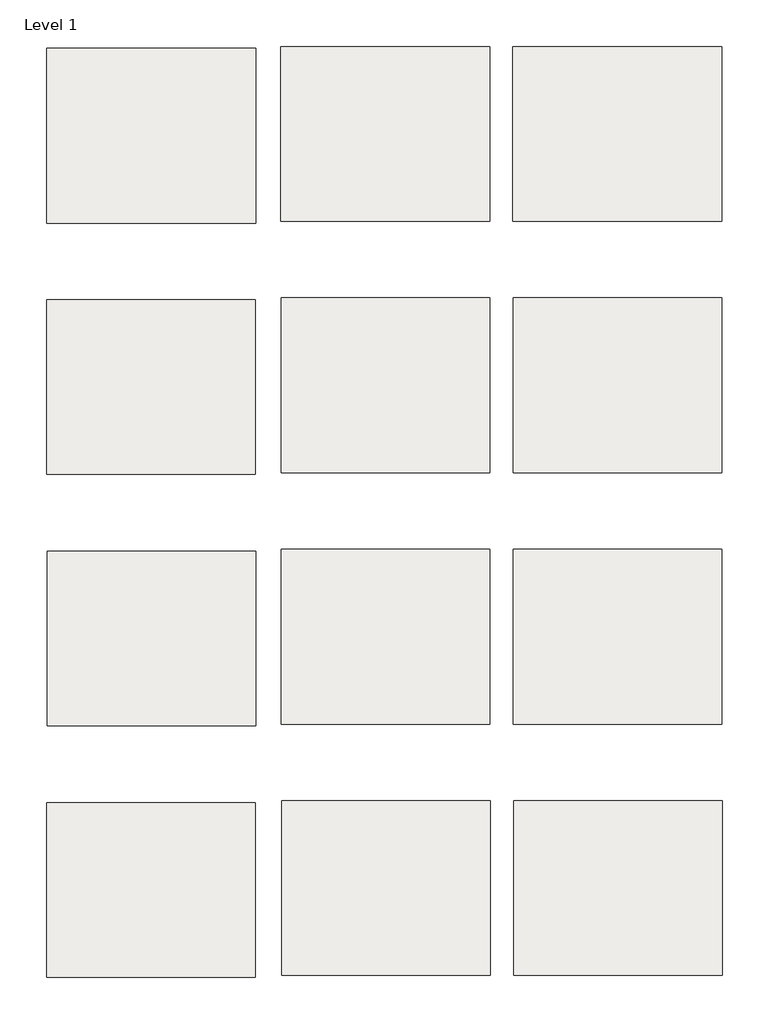
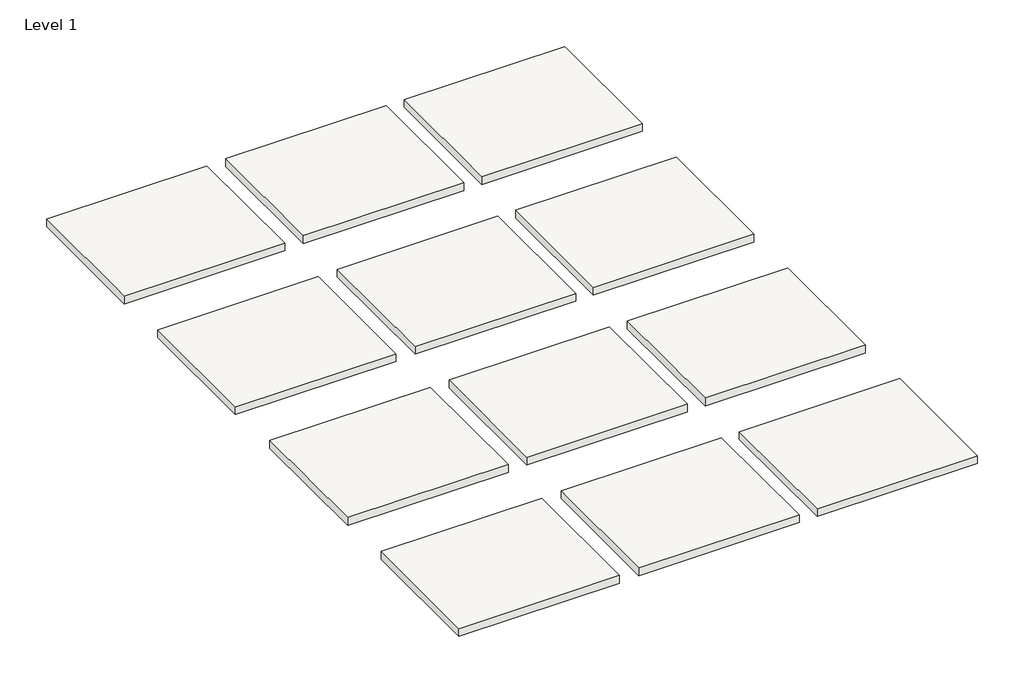
# One storey: 12 slabs.
"""IFC4 building model written with IfcOpenShell, lengths in millimetres."""

from ifc_helpers import new_model, si_unit, frame, origin, place, context, project, spatial, polyline, outline, extrude, element, save

model = new_model("IFC4")

# Units and contexts
model_context = context("Model", 3, world=origin())
ifc_project = project(units=[si_unit("LENGTHUNIT", "METRE", prefix="MILLI")], contexts=[model_context])

# Site, building, storey
site = spatial("IfcSite", under=ifc_project)
building = spatial("IfcBuilding", under=site)
storey = spatial("IfcBuildingStorey", under=building, Name="Level 1", Elevation=0.0)

# Slabs
placement = place(None, origin())
element("IfcSlab", 1, at=placement, inside=storey, context=model_context, shape_type="SweptSolid", body=[
    extrude(outline(polyline([(1184.7061728, 2646.9308642), (1184.7061728, 2958.0808642), (1556.0313355, 2958.0808642), (1556.0313355, 2646.9308642), (1184.7061728, 2646.9308642)])), frame((0.0, 0.0, -19.05), z_axis=(0.0, 0.0, 1.0), x_axis=(1.0, 0.0, 0.0)), (0.0, 0.0, 1.0), 19.05),
])
element("IfcSlab", 2, at=placement, inside=storey, context=model_context, shape_type="SweptSolid", body=[
    extrude(outline(polyline([(1601.2750855, 2650.1058642), (1601.2750855, 2961.2558642), (1972.6002482, 2961.2558642), (1972.6002482, 2650.1058642), (1601.2750855, 2650.1058642)])), frame((0.0, 0.0, -19.05), z_axis=(0.0, 0.0, 1.0), x_axis=(1.0, 0.0, 0.0)), (0.0, 0.0, 1.0), 19.05),
])
element("IfcSlab", 3, at=placement, inside=storey, context=model_context, shape_type="SweptSolid", body=[
    extrude(outline(polyline([(2014.0736857, 2650.1058642), (2014.0736857, 2961.2558642), (2385.3988484, 2961.2558642), (2385.3988484, 2650.1058642), (2014.0736857, 2650.1058642)])), frame((0.0, 0.0, -19.05), z_axis=(0.0, 0.0, 1.0), x_axis=(1.0, 0.0, 0.0)), (0.0, 0.0, 1.0), 19.05),
])
element("IfcSlab", 4, at=placement, inside=storey, context=model_context, shape_type="SweptSolid", body=[
    extrude(outline(polyline([(1184.081044, 2199.6527392), (1184.081044, 2510.8027392), (1555.4062067, 2510.8027392), (1555.4062067, 2199.6527392), (1184.081044, 2199.6527392)])), frame((0.0, 0.0, -19.05), z_axis=(0.0, 0.0, 1.0), x_axis=(1.0, 0.0, 0.0)), (0.0, 0.0, 1.0), 19.05),
])
element("IfcSlab", 5, at=placement, inside=storey, context=model_context, shape_type="SweptSolid", body=[
    extrude(outline(polyline([(1601.6421442, 2202.8277392), (1601.6421442, 2513.9777392), (1972.9673069, 2513.9777392), (1972.9673069, 2202.8277392), (1601.6421442, 2202.8277392)])), frame((0.0, 0.0, -19.05), z_axis=(0.0, 0.0, 1.0), x_axis=(1.0, 0.0, 0.0)), (0.0, 0.0, 1.0), 19.05),
])
element("IfcSlab", 6, at=placement, inside=storey, context=model_context, shape_type="SweptSolid", body=[
    extrude(outline(polyline([(2014.4407444, 2202.8277392), (2014.4407444, 2513.9777392), (2385.7659071, 2513.9777392), (2385.7659071, 2202.8277392), (2014.4407444, 2202.8277392)])), frame((0.0, 0.0, -19.05), z_axis=(0.0, 0.0, 1.0), x_axis=(1.0, 0.0, 0.0)), (0.0, 0.0, 1.0), 19.05),
])
element("IfcSlab", 7, at=placement, inside=storey, context=model_context, shape_type="SweptSolid", body=[
    extrude(outline(polyline([(1185.1724503, 1752.0769579), (1185.1724503, 2063.2269579), (1556.4976129, 2063.2269579), (1556.4976129, 1752.0769579), (1185.1724503, 1752.0769579)])), frame((0.0, 0.0, -19.05), z_axis=(0.0, 0.0, 1.0), x_axis=(1.0, 0.0, 0.0)), (0.0, 0.0, 1.0), 19.05),
])
element("IfcSlab", 8, at=placement, inside=storey, context=model_context, shape_type="SweptSolid", body=[
    extrude(outline(polyline([(1601.5429254, 1755.5496142), (1601.5429254, 2066.6996142), (1972.8680881, 2066.6996142), (1972.8680881, 1755.5496142), (1601.5429254, 1755.5496142)])), frame((0.0, 0.0, -19.05), z_axis=(0.0, 0.0, 1.0), x_axis=(1.0, 0.0, 0.0)), (0.0, 0.0, 1.0), 19.05),
])
element("IfcSlab", 9, at=placement, inside=storey, context=model_context, shape_type="SweptSolid", body=[
    extrude(outline(polyline([(2014.3415256, 1755.5496142), (2014.3415256, 2066.6996142), (2385.6666883, 2066.6996142), (2385.6666883, 1755.5496142), (2014.3415256, 1755.5496142)])), frame((0.0, 0.0, -19.05), z_axis=(0.0, 0.0, 1.0), x_axis=(1.0, 0.0, 0.0)), (0.0, 0.0, 1.0), 19.05),
])
element("IfcSlab", 10, at=placement, inside=storey, context=model_context, shape_type="SweptSolid", body=[
    extrude(outline(polyline([(1184.477919, 1304.5011767), (1184.477919, 1615.6511767), (1555.8030817, 1615.6511767), (1555.8030817, 1304.5011767), (1184.477919, 1304.5011767)])), frame((0.0, 0.0, -19.05), z_axis=(0.0, 0.0, 1.0), x_axis=(1.0, 0.0, 0.0)), (0.0, 0.0, 1.0), 19.05),
])
element("IfcSlab", 11, at=placement, inside=storey, context=model_context, shape_type="SweptSolid", body=[
    extrude(outline(polyline([(1602.4358942, 1308.2714892), (1602.4358942, 1619.4214892), (1973.7610569, 1619.4214892), (1973.7610569, 1308.2714892), (1602.4358942, 1308.2714892)])), frame((0.0, 0.0, -19.05), z_axis=(0.0, 0.0, 1.0), x_axis=(1.0, 0.0, 0.0)), (0.0, 0.0, 1.0), 19.05),
])
element("IfcSlab", 12, at=placement, inside=storey, context=model_context, shape_type="SweptSolid", body=[
    extrude(outline(polyline([(2015.2344944, 1308.2714892), (2015.2344944, 1619.4214892), (2386.5596571, 1619.4214892), (2386.5596571, 1308.2714892), (2015.2344944, 1308.2714892)])), frame((0.0, 0.0, -19.05), z_axis=(0.0, 0.0, 1.0), x_axis=(1.0, 0.0, 0.0)), (0.0, 0.0, 1.0), 19.05),
])

save(model, "model.ifc")
